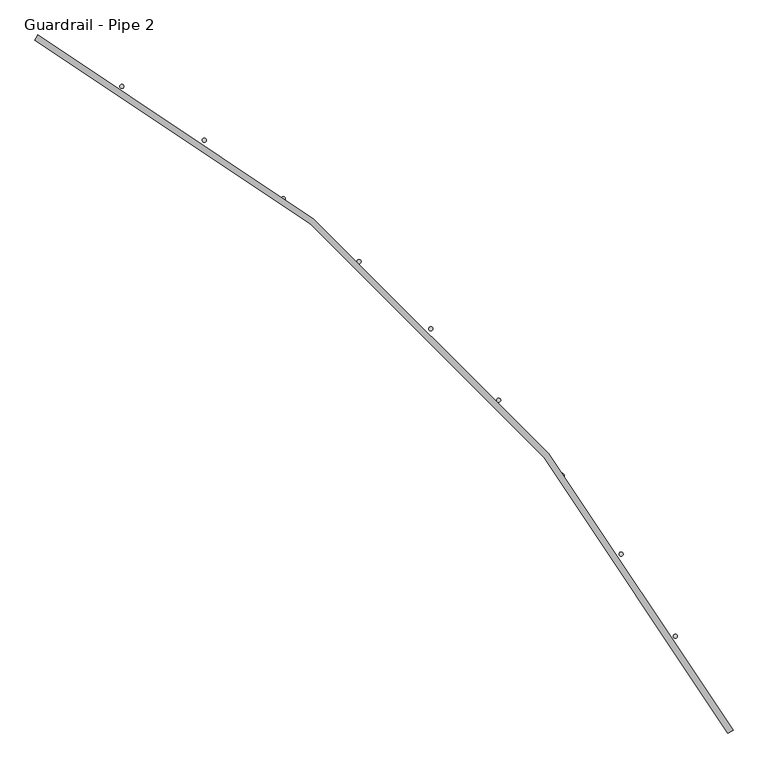
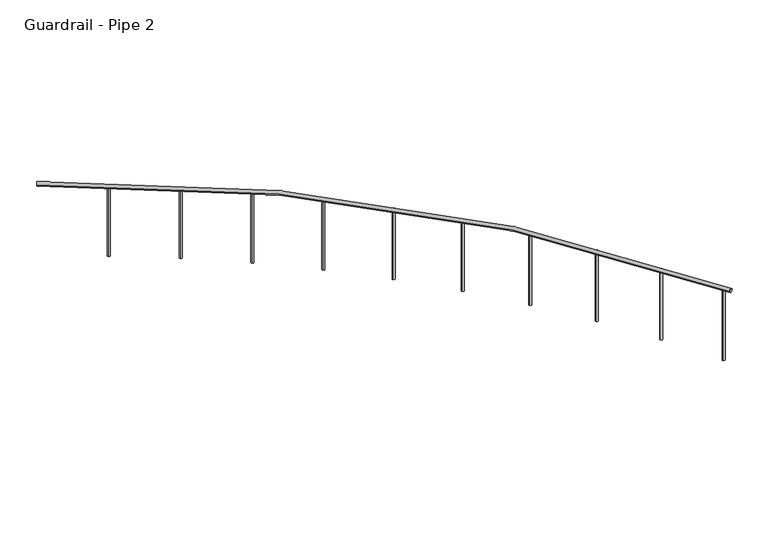
"""IFC4 building model written with IfcOpenShell, lengths in millimetres: railing geometry, Guardrail - Pipe 2."""

from ifc_helpers import new_model, si_unit, point, frame, frame_2d, origin, place, context, project, spatial, circle_curve, ellipse_curve, trimmed, segment, composite_curve, outline, extrude, source, transform, mapped, element, save
from ifc_brep_helpers import plane_surface, revolved_surface, advanced_brep


def guardrail_pipe_2_c212e1bd(model_context):
    return source(origin(), model_context, "Body", "SolidModel", [
        advanced_brep(
        [(659361.4695853, -255048.1844929, 5518.15), (655055.048997, -250741.7639047, 5518.15), (655037.1195853, -250775.3815518, 5518.15), (659327.8519382, -255066.1139047, 5518.15)],
        [
            (0, 1, circle_curve(frame((650133.4254676, -259969.8080223, 5518.15), z_axis=(0.0, 0.0, 1.0), x_axis=(0.47058823529371446, 0.8823529411766856, 0.0)), 10458.45)),
            (1, 2, circle_curve(frame((655046.0842911, -250758.5727282, 5518.15), z_axis=(0.8823529411766833, -0.47058823529371885, 0.0), x_axis=(0.47058823529371885, 0.8823529411766833, 0.0)), 19.05)),
            (2, 3, circle_curve(frame((650133.4254676, -259969.8080223, 5518.15), z_axis=(0.0, 0.0, -1.0), x_axis=(0.47058823529371446, 0.8823529411766856, 0.0)), 10420.35)),
            (3, 0, circle_curve(frame((659344.6607617, -255057.1491988, 5518.15), z_axis=(-0.47058823529373256, 0.882352941176676, 0.0), x_axis=(0.882352941176676, 0.47058823529373256, 0.0)), 19.05)),
            (2, 1, circle_curve(frame((655046.0842911, -250758.5727282, 5518.15), z_axis=(0.8823529411766841, -0.4705882352937174, 0.0), x_axis=(0.4705882352937174, 0.8823529411766841, 0.0)), 19.05)),
            (0, 3, circle_curve(frame((659344.6607617, -255057.1491988, 5518.15), z_axis=(-0.4705882352937321, 0.8823529411766763, 0.0), x_axis=(0.8823529411766763, 0.4705882352937321, 0.0)), 19.05)),
        ],
        [
            revolved_surface(trimmed(ellipse_curve(frame((655046.0842911, -250758.5727282, 5518.15), z_axis=(-0.8823529411766856, 0.47058823529371446, 0.0), x_axis=(0.47058823529371446, 0.8823529411766856, 0.0)), 19.05, 19.05), [point((655037.1195853, -250775.3815518, 5518.15))], [point((655055.048997, -250741.7639047, 5518.15))], True, "CARTESIAN"), (650133.4254676, -259969.8080223, 5537.2), (0.0, 0.0, -1.0)),
            revolved_surface(trimmed(ellipse_curve(frame((655046.0842911, -250758.5727282, 5518.15), z_axis=(-0.8823529411766856, 0.47058823529371446, 0.0), x_axis=(0.47058823529371446, 0.8823529411766856, 0.0)), 19.05, 19.05), [point((655055.048997, -250741.7639047, 5518.15))], [point((655037.1195853, -250775.3815518, 5518.15))], True, "CARTESIAN"), (650133.4254676, -259969.8080223, 5537.2), (0.0, 0.0, -1.0)),
            plane_surface(frame((655046.0842911, -250758.5727282, 5537.2), z_axis=(-0.8823529411766856, 0.47058823529371446, 0.0), x_axis=(0.47058823529371446, 0.8823529411766856, 0.0))),
            plane_surface(frame((659344.6607617, -255057.1491988, 5537.2), z_axis=(0.47058823529374844, -0.8823529411766675, 0.0), x_axis=(0.8823529411766675, 0.47058823529374844, 0.0))),
        ],
        [
            (0, [[1, 2, 3, 4]]),
            (1, [[-3, 5, -1, 6]]),
            (2, [[-2, -5]]),
            (3, [[-6, -4]]),
        ],
    ),
        extrude(outline(composite_curve([segment(trimmed(circle_curve(frame_2d((659310.3450203, -254993.3414161)), 12.7), [point((659299.1808846, -254999.3955117))], [point((659321.509156, -254987.2873204))], False, "CARTESIAN"), True, "CONTINUOUS"), segment(trimmed(circle_curve(frame_2d((659310.3450203, -254993.3414161)), 12.7), [point((659321.509156, -254987.2873204))], [point((659299.1808846, -254999.3955117))], False, "CARTESIAN"), True, "CONTINUOUS")], self_intersect=False)), frame((0.0, 0.0, 4775.2), z_axis=(0.0, 0.0, 1.0), x_axis=(1.0, 0.0, 0.0)), (0.0, 0.0, 1.0), 723.9),
        extrude(outline(composite_curve([segment(trimmed(circle_curve(frame_2d((659004.2719093, -254466.2495582)), 12.7), [point((658993.4801253, -254472.9448848))], [point((659015.0636932, -254459.5542316))], False, "CARTESIAN"), True, "CONTINUOUS"), segment(trimmed(circle_curve(frame_2d((659004.2719093, -254466.2495582)), 12.7), [point((659015.0636932, -254459.5542316))], [point((658993.4801253, -254472.9448848))], False, "CARTESIAN"), True, "CONTINUOUS")], self_intersect=False)), frame((0.0, 0.0, 4775.2), z_axis=(0.0, 0.0, 1.0), x_axis=(1.0, 0.0, 0.0)), (0.0, 0.0, 1.0), 723.9),
        extrude(outline(composite_curve([segment(trimmed(circle_curve(frame_2d((658667.9588885, -253957.9188311)), 12.7), [point((658657.5762444, -253965.2325649))], [point((658678.3415326, -253950.6050973))], False, "CARTESIAN"), True, "CONTINUOUS"), segment(trimmed(circle_curve(frame_2d((658667.9588885, -253957.9188311)), 12.7), [point((658678.3415326, -253950.6050973))], [point((658657.5762444, -253965.2325649))], False, "CARTESIAN"), True, "CONTINUOUS")], self_intersect=False)), frame((0.0, 0.0, 4775.2), z_axis=(0.0, 0.0, 1.0), x_axis=(1.0, 0.0, 0.0)), (0.0, 0.0, 1.0), 723.9),
        extrude(outline(composite_curve([segment(trimmed(circle_curve(frame_2d((658302.5524186, -253470.0820882)), 12.7), [point((658292.6143079, -253477.9892974))], [point((658312.4905292, -253462.174879))], False, "CARTESIAN"), True, "CONTINUOUS"), segment(trimmed(circle_curve(frame_2d((658302.5524186, -253470.0820882)), 12.7), [point((658312.4905292, -253462.174879))], [point((658292.6143079, -253477.9892974))], False, "CARTESIAN"), True, "CONTINUOUS")], self_intersect=False)), frame((0.0, 0.0, 4775.2), z_axis=(0.0, 0.0, 1.0), x_axis=(1.0, 0.0, 0.0)), (0.0, 0.0, 1.0), 723.9),
        extrude(outline(composite_curve([segment(trimmed(circle_curve(frame_2d((657909.2981369, -253004.4023206)), 12.7), [point((657899.8384378, -253012.8760501))], [point((657918.7578361, -252995.928591))], False, "CARTESIAN"), True, "CONTINUOUS"), segment(trimmed(circle_curve(frame_2d((657909.2981369, -253004.4023206)), 12.7), [point((657918.7578361, -252995.928591))], [point((657899.8384378, -253012.8760501))], False, "CARTESIAN"), True, "CONTINUOUS")], self_intersect=False)), frame((0.0, 0.0, 4775.2), z_axis=(0.0, 0.0, 1.0), x_axis=(1.0, 0.0, 0.0)), (0.0, 0.0, 1.0), 723.9),
        extrude(outline(composite_curve([segment(trimmed(circle_curve(frame_2d((657489.5366117, -252562.4669883)), 12.7), [point((657480.5875714, -252571.4783521))], [point((657498.4856521, -252553.4556245))], False, "CARTESIAN"), True, "CONTINUOUS"), segment(trimmed(circle_curve(frame_2d((657489.5366117, -252562.4669883)), 12.7), [point((657498.4856521, -252553.4556245))], [point((657480.5875714, -252571.4783521))], False, "CARTESIAN"), True, "CONTINUOUS")], self_intersect=False)), frame((0.0, 0.0, 4775.2), z_axis=(0.0, 0.0, 1.0), x_axis=(1.0, 0.0, 0.0)), (0.0, 0.0, 1.0), 723.9),
        extrude(outline(composite_curve([segment(trimmed(circle_curve(frame_2d((657044.6987719, -252145.7826087)), 12.7), [point((657036.2908968, -252155.3008878))], [point((657053.1066469, -252136.2643296))], False, "CARTESIAN"), True, "CONTINUOUS"), segment(trimmed(circle_curve(frame_2d((657044.6987719, -252145.7826087)), 12.7), [point((657053.1066469, -252136.2643296))], [point((657036.2908968, -252155.3008878))], False, "CARTESIAN"), True, "CONTINUOUS")], self_intersect=False)), frame((0.0, 0.0, 4775.2), z_axis=(0.0, 0.0, 1.0), x_axis=(1.0, 0.0, 0.0)), (0.0, 0.0, 1.0), 723.9),
        extrude(outline(composite_curve([segment(trimmed(circle_curve(frame_2d((656576.3010291, -251755.769621)), 12.7), [point((656568.462981, -251765.7623684))], [point((656584.1390772, -251745.7768735))], False, "CARTESIAN"), True, "CONTINUOUS"), segment(trimmed(circle_curve(frame_2d((656576.3010291, -251755.769621)), 12.7), [point((656584.1390772, -251745.7768735))], [point((656568.462981, -251765.7623684))], False, "CARTESIAN"), True, "CONTINUOUS")], self_intersect=False)), frame((0.0, 0.0, 4775.2), z_axis=(0.0, 0.0, 1.0), x_axis=(1.0, 0.0, 0.0)), (0.0, 0.0, 1.0), 723.9),
        extrude(outline(composite_curve([segment(trimmed(circle_curve(frame_2d((656085.9401088, -251393.757544)), 12.7), [point((656078.6986068, -251404.1906955))], [point((656093.1816108, -251383.3243926))], False, "CARTESIAN"), True, "CONTINUOUS"), segment(trimmed(circle_curve(frame_2d((656085.9401088, -251393.757544)), 12.7), [point((656093.1816108, -251383.3243926))], [point((656078.6986068, -251404.1906955))], False, "CARTESIAN"), True, "CONTINUOUS")], self_intersect=False)), frame((0.0, 0.0, 4775.2), z_axis=(0.0, 0.0, 1.0), x_axis=(1.0, 0.0, 0.0)), (0.0, 0.0, 1.0), 723.9),
        extrude(outline(composite_curve([segment(trimmed(circle_curve(frame_2d((655575.2876068, -251060.9804442)), 12.7), [point((655568.6673366, -251071.8184339))], [point((655581.9078771, -251050.1424544))], False, "CARTESIAN"), True, "CONTINUOUS"), segment(trimmed(circle_curve(frame_2d((655575.2876068, -251060.9804442)), 12.7), [point((655581.9078771, -251050.1424544))], [point((655568.6673366, -251071.8184339))], False, "CARTESIAN"), True, "CONTINUOUS")], self_intersect=False)), frame((0.0, 0.0, 4775.2), z_axis=(0.0, 0.0, 1.0), x_axis=(1.0, 0.0, 0.0)), (0.0, 0.0, 1.0), 723.9),
    ])


if __name__ == "__main__":
    model = new_model("IFC4")
    model_context = context("Model", 3, world=origin())
    ifc_project = project(units=[si_unit("LENGTHUNIT", "METRE", prefix="MILLI")], contexts=[model_context])
    site = spatial("IfcSite", under=ifc_project)
    building = spatial("IfcBuilding", under=site)
    placement = place(None, origin())
    guardrail_pipe_2_shape = guardrail_pipe_2_c212e1bd(model_context)
    element("IfcRailing", 1, ObjectType="Guardrail - Pipe 2", at=placement, inside=building, context=model_context, shape_type="MappedRepresentation", body=[
        mapped(guardrail_pipe_2_shape, transform((0.0, 0.0, 0.0), x_axis=(1.0, 0.0, 0.0), y_axis=(0.0, 1.0, 0.0), z_axis=(0.0, 0.0, 1.0))),
    ])
    save(model, "model.ifc")
